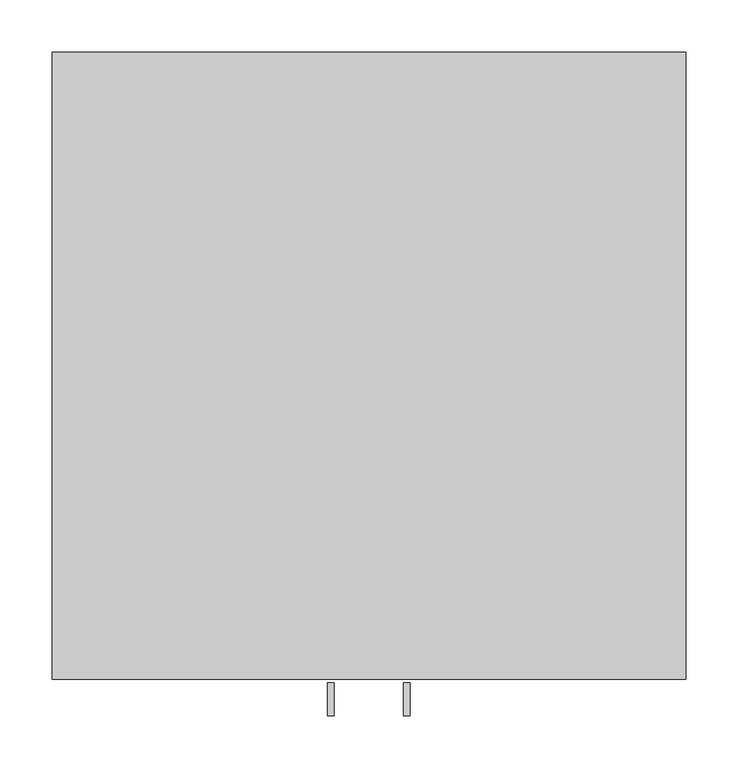
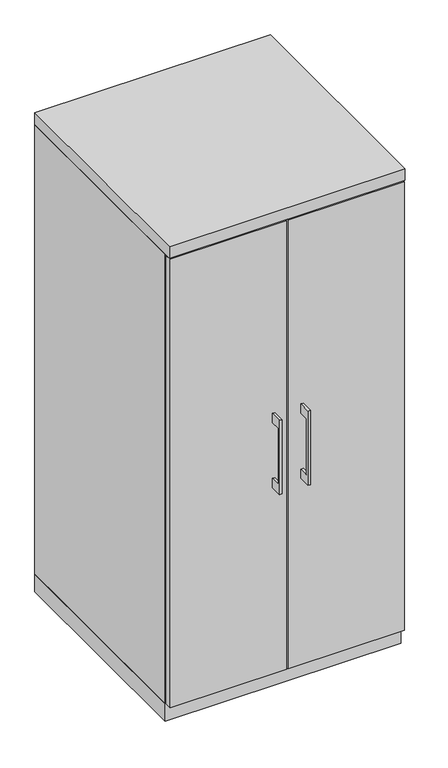
"""IFC4 building model written with IfcOpenShell, lengths in millimetres: furniture geometry."""

import ifcopenshell
import ifcopenshell.guid

model = None  # the IFC model being written
_history = None  # IfcOwnerHistory: only IFC2X3 demands one
_inside = {}  # id of a spatial element -> (the spatial element, [elements in it])
_under = {}  # id of a project, library or spatial element -> (it, [spatial elements below it])
_declared = {}  # id of a project -> (the project, [libraries it declares])
_typed = {}  # id of a type object -> (the type object, [elements of that type])
_made_of = {}  # id of a material, layer set ... -> (it, [elements and type objects made of it])


def new_model(schema):
    """Start an empty IFC model of exactly this schema.

    Asked for "IFC4X3", IfcOpenShell would pick the latest addendum, in which some entities
    have other attributes; the version numbers below select the first issue.
    IFC2X3 requires an IfcOwnerHistory on every rooted entity: one is made here for all.
    """
    global model, _history
    if schema == "IFC4X3":
        model = ifcopenshell.file(schema_version=(4, 3, 0, 0))
    else:
        model = ifcopenshell.file(schema=schema)
    _inside.clear()
    _under.clear()
    _declared.clear()
    _typed.clear()
    _made_of.clear()
    _history = None
    if model.schema == "IFC2X3":
        org = make("IfcOrganization", Name="unknown")
        user = make(
            "IfcPersonAndOrganization",
            ThePerson=make("IfcPerson", FamilyName="unknown"),
            TheOrganization=org,
        )
        app = make(
            "IfcApplication",
            ApplicationDeveloper=org,
            Version="unknown",
            ApplicationFullName="unknown",
            ApplicationIdentifier="unknown",
        )
        _history = make(
            "IfcOwnerHistory",
            OwningUser=user,
            OwningApplication=app,
            ChangeAction="ADDED",
            CreationDate=0,
        )
    return model


def make(cls, **values):
    """One entity of the class cls with the attributes given. An attribute that is None is left unset."""
    return model.create_entity(
        cls, **{name: value for name, value in values.items() if value is not None}
    )


def rooted(cls, **values):
    """An entity with a GlobalId (a new one), such as an element, a storey or a relation."""
    return make(cls, GlobalId=ifcopenshell.guid.new(), OwnerHistory=_history, **values)


def si_unit(unit_type, name, prefix=None):
    """IfcSIUnit, for example si_unit("LENGTHUNIT", "METRE", prefix="MILLI")."""
    return make("IfcSIUnit", UnitType=unit_type, Prefix=prefix, Name=name)


def assignment(units):
    """IfcUnitAssignment: the units of a project."""
    return None if units is None else make("IfcUnitAssignment", Units=units)


def point(xyz):
    """IfcCartesianPoint."""
    return None if xyz is None else make("IfcCartesianPoint", Coordinates=xyz)


def direction(xyz):
    """IfcDirection."""
    return None if xyz is None else make("IfcDirection", DirectionRatios=xyz)


def frame(location, z_axis=None, x_axis=None):
    """IfcAxis2Placement3D, a coordinate frame: its origin and axes. An axis left out is left unset."""
    return make(
        "IfcAxis2Placement3D",
        Location=point(location),
        Axis=direction(z_axis),
        RefDirection=direction(x_axis),
    )


def origin():
    """The frame at (0, 0, 0) with its axes left unset."""
    return frame((0.0, 0.0, 0.0))


def origin_with_axes():
    """The frame at (0, 0, 0) with the z axis (0, 0, 1) and the x axis (1, 0, 0) written out."""
    return frame((0.0, 0.0, 0.0), z_axis=(0.0, 0.0, 1.0), x_axis=(1.0, 0.0, 0.0))


def place(relative_to, where):
    """IfcLocalPlacement: puts the frame where relative to a parent placement (None: the world)."""
    return make(
        "IfcLocalPlacement", PlacementRelTo=relative_to, RelativePlacement=where
    )


def context(
    kind, dimensions, precision=None, world=None, true_north=None, identifier=None
):
    """IfcGeometricRepresentationContext, for example the 3D "Model" context."""
    return make(
        "IfcGeometricRepresentationContext",
        ContextIdentifier=identifier,
        ContextType=kind,
        CoordinateSpaceDimension=dimensions,
        Precision=precision,
        WorldCoordinateSystem=world,
        TrueNorth=true_north,
    )


def project(units=None, contexts=None):
    """IfcProject with its units and contexts."""
    return rooted(
        "IfcProject",
        Name="project",
        RepresentationContexts=contexts,
        UnitsInContext=assignment(units),
    )


def spatial(cls, under=None, at=None, **own):
    """A site, building, storey or space (cls), placed at a placement, below another one or the project."""
    s = rooted(cls, ObjectPlacement=at, **own)
    if under is not None:
        _under.setdefault(under.id(), (under, []))[1].append(s)
    return s


def polyline(points):
    """IfcPolyline through the points."""
    return make("IfcPolyline", Points=[point(p) for p in points])


def outline(outer, holes=None, kind="AREA"):
    """IfcArbitraryClosedProfileDef: a profile drawn as a closed curve; with holes, ...WithVoids."""
    if holes is None:
        return make("IfcArbitraryClosedProfileDef", ProfileType=kind, OuterCurve=outer)
    return make(
        "IfcArbitraryProfileDefWithVoids",
        ProfileType=kind,
        OuterCurve=outer,
        InnerCurves=holes,
    )


def extrude(swept, where, along, depth):
    """IfcExtrudedAreaSolid: the profile swept, set in the frame where, extruded along a direction by depth."""
    return make(
        "IfcExtrudedAreaSolid",
        SweptArea=swept,
        Position=where,
        ExtrudedDirection=direction(along),
        Depth=depth,
    )


def shape(context_of_items, identifier, shape_type, items):
    """IfcShapeRepresentation: the items that make up one representation, for example the "Body"."""
    return make(
        "IfcShapeRepresentation",
        ContextOfItems=context_of_items,
        RepresentationIdentifier=identifier,
        RepresentationType=shape_type,
        Items=items,
    )


def source(mapping_origin, context_of_items, identifier, shape_type, items):
    """IfcRepresentationMap: a shape defined once, which mapped items show again and again."""
    return make(
        "IfcRepresentationMap",
        MappingOrigin=mapping_origin,
        MappedRepresentation=shape(context_of_items, identifier, shape_type, items),
    )


def transform(
    local_origin,
    x_axis=None,
    y_axis=None,
    z_axis=None,
    scale=None,
    scale2=None,
    scale3=None,
    uniform=True,
):
    """IfcCartesianTransformationOperator3D, or its non-uniform kind. x_axis, y_axis, z_axis: its Axis1, 2, 3."""
    if uniform:
        return make(
            "IfcCartesianTransformationOperator3D",
            Axis1=direction(x_axis),
            Axis2=direction(y_axis),
            LocalOrigin=point(local_origin),
            Scale=scale,
            Axis3=direction(z_axis),
        )
    return make(
        "IfcCartesianTransformationOperator3DnonUniform",
        Axis1=direction(x_axis),
        Axis2=direction(y_axis),
        LocalOrigin=point(local_origin),
        Scale=scale,
        Axis3=direction(z_axis),
        Scale2=scale2,
        Scale3=scale3,
    )


def mapped(mapping_source, mapping_target):
    """IfcMappedItem: shows the shape of a source again, moved by a transform."""
    return make(
        "IfcMappedItem", MappingSource=mapping_source, MappingTarget=mapping_target
    )


def made_of(thing, what):
    """Note that an element or type object is made of a material, layer set ...; save() writes the relation."""
    if what is not None:
        _made_of.setdefault(what.id(), (what, []))[1].append(thing)
    return thing


def element(
    cls,
    number,
    at=None,
    inside=None,
    cuts=None,
    type_object=None,
    material=None,
    context=None,
    identifier="Body",
    shape_type=None,
    held_by="IfcProductDefinitionShape",
    body=None,
    shapes=None,
    **own,
):
    """One element of the class cls, such as IfcWall. Its Tag is "e" and its number.

    at: its placement. inside: the storey or other place that contains it. cuts: it is an
    opening in that element (IfcRelVoidsElement). A single representation is given by context,
    identifier, shape_type and body (its items); several are given by shapes. held_by: the class
    of the entity that holds the representations. save() writes the other relations.
    """
    e = rooted(cls, Tag="e%d" % number, ObjectPlacement=at, **own)
    if body is not None:
        shapes = [shape(context, identifier, shape_type, body)]
    if shapes is not None:
        e.Representation = make(held_by, Representations=shapes)
    if inside is not None:
        _inside.setdefault(inside.id(), (inside, []))[1].append(e)
    if cuts is not None:
        rooted(
            "IfcRelVoidsElement", RelatingBuildingElement=cuts, RelatedOpeningElement=e
        )
    if type_object is not None:
        _typed.setdefault(type_object.id(), (type_object, []))[1].append(e)
    return made_of(e, material)


def aggregate(whole, parts):
    """IfcRelAggregates: a whole, such as a stair, and the parts it consists of."""
    return rooted("IfcRelAggregates", RelatingObject=whole, RelatedObjects=parts)


def save(model, path):
    """Write the relations noted so far, then the file.

    IfcRelAggregates (storeys below a building ...), IfcRelContainedInSpatialStructure (elements
    in a storey), IfcRelDefinesByType, IfcRelAssociatesMaterial and IfcRelDeclares: one each for
    every whole, place, type object, material and project.
    """
    for whole, parts in _under.values():
        aggregate(whole, parts)
    for where, things in _inside.values():
        rooted(
            "IfcRelContainedInSpatialStructure",
            RelatedElements=things,
            RelatingStructure=where,
        )
    for kind, things in _typed.values():
        rooted("IfcRelDefinesByType", RelatedObjects=things, RelatingType=kind)
    for what, things in _made_of.values():
        rooted("IfcRelAssociatesMaterial", RelatedObjects=things, RelatingMaterial=what)
    for by, libraries in _declared.values():
        rooted("IfcRelDeclares", RelatingContext=by, RelatedDefinitions=libraries)
    model.write(path)


def furniture_d22b73e4(model_context):
    return source(origin(), model_context, "Body", "SweptSolid", [
        extrude(outline(polyline([(-606.425, 736.6), (-631.8249758, 736.6), (-631.8249758, 584.2), (-606.425, 584.2), (-606.425, 558.8), (-638.1749879, 558.8), (-638.1749879, 762.0), (-606.425, 762.0), (-606.425, 736.6)])), frame((33.3375121, 0.0, 0.0), z_axis=(1.0, 0.0, 0.0), x_axis=(0.0, 1.0, 0.0)), (0.0, 0.0, 1.0), 6.3499758),
        extrude(outline(polyline([(1.5875, -603.25), (1.5875, -584.2), (303.2125, -584.2), (303.2125, -603.25), (1.5875, -603.25)])), frame((0.0, 0.0, 47.625), z_axis=(0.0, 0.0, 1.0), x_axis=(1.0, 0.0, 0.0)), (0.0, 0.0, 1.0), 1225.55),
        extrude(outline(polyline([(-606.425, 736.6), (-631.8249758, 736.6), (-631.8249758, 584.2), (-606.425, 584.2), (-606.425, 558.8), (-638.1749879, 558.8), (-638.1749879, 762.0), (-606.425, 762.0), (-606.425, 736.6)])), frame((-39.6874879, 0.0, 0.0), z_axis=(1.0, 0.0, 0.0), x_axis=(0.0, 1.0, 0.0)), (0.0, 0.0, 1.0), 6.3499758),
        extrude(outline(polyline([(-1.5875, -603.25), (-303.2125, -603.25), (-303.2125, -584.2), (-1.5875, -584.2), (-1.5875, -603.25)])), frame((0.0, 0.0, 47.625), z_axis=(0.0, 0.0, 1.0), x_axis=(1.0, 0.0, 0.0)), (0.0, 0.0, 1.0), 1225.55),
        extrude(outline(polyline([(304.8, 0.0), (304.8, -584.2), (-304.8, -584.2), (-304.8, 0.0), (304.8, 0.0)])), origin_with_axes(), (0.0, 0.0, 1.0), 47.625),
        extrude(outline(polyline([(304.8, 0.0), (304.8, -603.25), (-304.8, -603.25), (-304.8, 0.0), (304.8, 0.0)])), frame((0.0, 0.0, 1276.35), z_axis=(0.0, 0.0, 1.0), x_axis=(1.0, 0.0, 0.0)), (0.0, 0.0, 1.0), 31.75),
        extrude(outline(polyline([(304.8, 0.0), (304.8, -584.2), (285.75, -584.2), (285.75, -19.05), (9.525, -19.05), (9.525, -584.2), (-9.525, -584.2), (-9.525, -19.05), (-285.75, -19.05), (-285.75, -584.2), (-304.8, -584.2), (-304.8, 0.0), (304.8, 0.0)])), frame((0.0, 0.0, 47.625), z_axis=(0.0, 0.0, 1.0), x_axis=(1.0, 0.0, 0.0)), (0.0, 0.0, 1.0), 1228.725),
    ])


if __name__ == "__main__":
    model = new_model("IFC4")
    model_context = context("Model", 3, world=origin())
    ifc_project = project(units=[si_unit("LENGTHUNIT", "METRE", prefix="MILLI")], contexts=[model_context])
    site = spatial("IfcSite", under=ifc_project)
    building = spatial("IfcBuilding", under=site)
    placement = place(None, origin())
    furniture_shape = furniture_d22b73e4(model_context)
    element("IfcFurniture", 1, at=placement, inside=building, context=model_context, shape_type="MappedRepresentation", body=[
        mapped(furniture_shape, transform((0.0, 0.0, 0.0), x_axis=(1.0, 0.0, 0.0), y_axis=(0.0, 1.0, 0.0), z_axis=(0.0, 0.0, 1.0))),
    ])
    save(model, "model.ifc")
